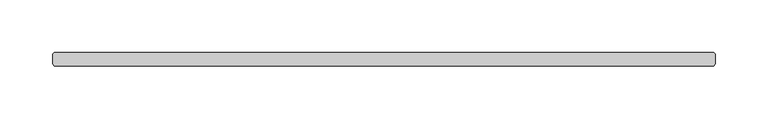
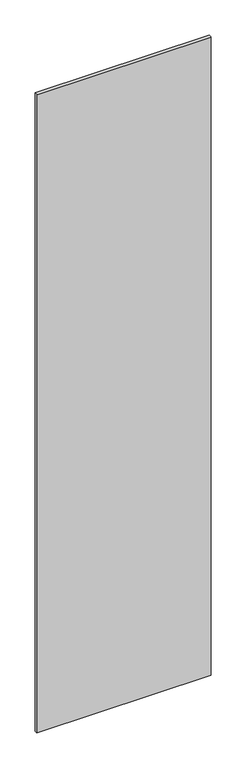
"""IFC4 building model written with IfcOpenShell, lengths in millimetres: plate geometry."""

from ifc_helpers import new_model, si_unit, origin, origin_with_axes, place, context, project, spatial, polyline, outline, extrude, source, transform, mapped, element, save


def plate_c4d09549(model_context):
    return source(origin(), model_context, "Body", "SweptSolid", [
        extrude(outline(polyline([(312.340625, -6.35), (-312.340625, -6.35), (-313.928125, -4.7625), (-313.928125, 4.7625), (-312.340625, 6.35), (312.340625, 6.35), (313.928125, 4.7625), (313.928125, -4.7625), (312.340625, -6.35)])), origin_with_axes(), (0.0, 0.0, 1.0), 2427.1914267),
    ])


if __name__ == "__main__":
    model = new_model("IFC4")
    model_context = context("Model", 3, world=origin())
    ifc_project = project(units=[si_unit("LENGTHUNIT", "METRE", prefix="MILLI")], contexts=[model_context])
    site = spatial("IfcSite", under=ifc_project)
    building = spatial("IfcBuilding", under=site)
    placement = place(None, origin())
    plate_shape = plate_c4d09549(model_context)
    element("IfcPlate", 1, at=placement, inside=building, context=model_context, shape_type="MappedRepresentation", body=[
        mapped(plate_shape, transform((0.0, 0.0, 0.0), x_axis=(1.0, 0.0, 0.0), y_axis=(0.0, 1.0, 0.0), z_axis=(0.0, 0.0, 1.0))),
    ])
    save(model, "model.ifc")
